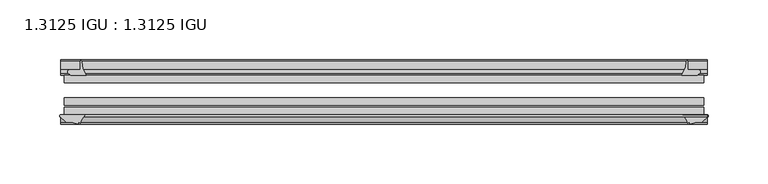
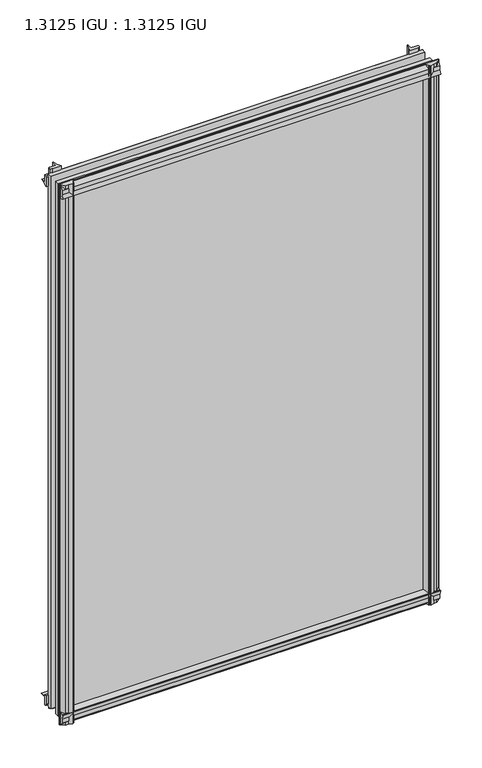
"""IFC4 building model written with IfcOpenShell, lengths in millimetres: plate geometry, 1.3125 IGU : 1.3125 IGU."""

from ifc_helpers import new_model, si_unit, point, frame, frame_2d, origin, place, context, project, spatial, polyline, circle_curve, trimmed, segment, composite_curve, outline, extrude, source, transform, mapped, element, save


def plate_1_3125_igu_1_3125_igu_1f02b4d9(model_context):
    return source(origin(), model_context, "Body", "SweptSolid", [
        extrude(outline(composite_curve([segment(polyline([(-22.094825, 0.0), (-22.094825, -9.916835)]), True, "CONTINUOUS"), segment(trimmed(circle_curve(frame_2d((-23.669625, -9.916835)), 1.5748), [point((-22.094825, -9.916835))], [point((-24.8706146, -10.9354709))], False, "CARTESIAN"), True, "CONTINUOUS"), segment(polyline([(-24.8706146, -10.9354709), (-26.590625, -8.9075484), (-26.590625, 4.0446407)]), True, "CONTINUOUS"), segment(trimmed(circle_curve(frame_2d((-7.1839113, 38.4138813)), 39.4698015), [point((-26.590625, 4.0446407))], [point((-19.4504626, 0.8985917))], True, "CARTESIAN"), True, "CONTINUOUS"), segment(polyline([(-19.4504626, 0.8985917), (-13.3986538, 0.0), (-22.094825, 0.0)]), True, "CONTINUOUS")], self_intersect=False)), frame((-271.0684763, 0.0, 0.0), z_axis=(1.0, 0.0, 0.0), x_axis=(0.0, 1.0, 0.0)), (0.0, 0.0, 1.0), 542.1369525),
        extrude(outline(composite_curve([segment(trimmed(circle_curve(frame_2d((-67.8737919, 9.6311377)), 10.5748618), [point((-66.062225, -0.7874))], [point((-59.712225, 2.9068141))], True, "CARTESIAN"), True, "CONTINUOUS"), segment(polyline([(-59.712225, 2.9068141), (-59.712225, -18.0442511)]), True, "CONTINUOUS"), segment(trimmed(circle_curve(frame_2d((-60.728225, -18.0442511)), 1.016), [point((-59.712225, -18.0442511))], [point((-61.4950672, -18.7107412))], False, "CARTESIAN"), True, "CONTINUOUS"), segment(polyline([(-61.4950672, -18.7107412), (-66.062225, -13.4559149), (-66.062225, -7.4520336), (-67.637025, -1.5748), (-66.062225, -1.5748), (-66.062225, -0.7874)]), True, "CONTINUOUS")], self_intersect=False)), frame((-271.0684763, 0.0, 0.0), z_axis=(1.0, 0.0, 0.0), x_axis=(0.0, 1.0, 0.0)), (0.0, 0.0, 1.0), 542.1369525),
        extrude(outline(composite_curve([segment(polyline([(-66.062225, 794.4598774), (-61.4950672, 799.7147037)]), True, "CONTINUOUS"), segment(trimmed(circle_curve(frame_2d((-60.728225, 799.0482136)), 1.016), [point((-61.4950672, 799.7147037))], [point((-59.712225, 799.0482136))], False, "CARTESIAN"), True, "CONTINUOUS"), segment(polyline([(-59.712225, 799.0482136), (-59.712225, 778.5230921)]), True, "CONTINUOUS"), segment(trimmed(circle_curve(frame_2d((-66.4211348, 772.8932283)), 8.7581298), [point((-59.712225, 778.5230921))], [point((-66.062225, 781.6440009))], True, "CARTESIAN"), True, "CONTINUOUS"), segment(polyline([(-66.062225, 781.6440009), (-66.062225, 782.5787625), (-67.637025, 782.5787625), (-66.062225, 788.4559961), (-66.062225, 794.4598774)]), True, "CONTINUOUS")], self_intersect=False)), frame((-271.0684763, 0.0, 0.0), z_axis=(1.0, 0.0, 0.0), x_axis=(0.0, 1.0, 0.0)), (0.0, 0.0, 1.0), 542.1369525),
        extrude(outline(composite_curve([segment(polyline([(-26.590625, 776.9593218), (-26.590625, 789.9115109), (-24.8706146, 791.9394334)]), True, "CONTINUOUS"), segment(trimmed(circle_curve(frame_2d((-23.669625, 790.9207975)), 1.5748), [point((-24.8706146, 791.9394334))], [point((-22.094825, 790.9207975))], False, "CARTESIAN"), True, "CONTINUOUS"), segment(polyline([(-22.094825, 790.9207975), (-22.094825, 781.05), (-14.5883882, 781.05), (-18.3240316, 780.2633459)]), True, "CONTINUOUS"), segment(trimmed(circle_curve(frame_2d((-16.4585419, 767.634903)), 12.7654855), [point((-18.3240316, 780.2633459))], [point((-20.5939581, 779.7119869))], True, "CARTESIAN"), True, "CONTINUOUS"), segment(trimmed(circle_curve(frame_2d((-7.1839113, 742.5900812)), 39.4698015), [point((-20.5939581, 779.7119869))], [point((-26.590625, 776.9593218))], True, "CARTESIAN"), True, "CONTINUOUS")], self_intersect=False)), frame((-271.0684763, 0.0, 0.0), z_axis=(1.0, 0.0, 0.0), x_axis=(0.0, 1.0, 0.0)), (0.0, 0.0, 1.0), 542.1369525),
        extrude(outline(composite_curve([segment(polyline([(262.9075484, -26.590625), (249.9553593, -26.590625)]), True, "CONTINUOUS"), segment(trimmed(circle_curve(frame_2d((215.5861187, -7.1839113)), 39.4698015), [point((249.9553593, -26.590625))], [point((253.1014083, -19.4504626))], True, "CARTESIAN"), True, "CONTINUOUS"), segment(polyline([(253.1014083, -19.4504626), (253.7472834, -15.1006424)]), True, "CONTINUOUS"), segment(trimmed(circle_curve(frame_2d((254.5267687, -15.2120036)), 0.7874), [point((253.7472834, -15.1006424))], [point((254.79375, -14.4712474))], False, "CARTESIAN"), True, "CONTINUOUS"), segment(polyline([(254.79375, -14.4712474), (254.79375, -22.094825), (263.916835, -22.094825)]), True, "CONTINUOUS"), segment(trimmed(circle_curve(frame_2d((263.916835, -23.669625)), 1.5748), [point((263.916835, -22.094825))], [point((264.9354709, -24.8706146))], False, "CARTESIAN"), True, "CONTINUOUS"), segment(polyline([(264.9354709, -24.8706146), (262.9075484, -26.590625)]), True, "CONTINUOUS")], self_intersect=False)), frame((0.0, 0.0, -18.2728511), z_axis=(0.0, 0.0, 1.0), x_axis=(1.0, 0.0, 0.0)), (0.0, 0.0, 1.0), 818.6352548),
        extrude(outline(composite_curve([segment(polyline([(250.6489748, -59.712225), (271.2094015, -59.712225)]), True, "CONTINUOUS"), segment(trimmed(circle_curve(frame_2d((271.2094015, -60.728225)), 1.016), [point((271.2094015, -59.712225))], [point((271.8758916, -61.4950672))], False, "CARTESIAN"), True, "CONTINUOUS"), segment(polyline([(271.8758916, -61.4950672), (266.6210653, -66.062225), (262.6458336, -66.062225), (256.7686, -67.637025), (256.7686, -66.062225), (255.6782443, -66.062225)]), True, "CONTINUOUS"), segment(trimmed(circle_curve(frame_2d((255.6782443, -66.849625)), 0.7874), [point((255.6782443, -66.062225))], [point((254.9005385, -66.7264485))], True, "CARTESIAN"), True, "CONTINUOUS"), segment(trimmed(circle_curve(frame_2d((241.8352219, -69.8501675)), 13.4335445), [point((254.9005385, -66.7264485))], [point((250.6489748, -59.712225))], True, "CARTESIAN"), True, "CONTINUOUS")], self_intersect=False)), frame((0.0, 0.0, -18.2728511), z_axis=(0.0, 0.0, 1.0), x_axis=(1.0, 0.0, 0.0)), (0.0, 0.0, 1.0), 818.6352548),
        extrude(outline(composite_curve([segment(polyline([(-253.7472834, -15.1006424), (-253.2728683, -18.2957187)]), True, "CONTINUOUS"), segment(trimmed(circle_curve(frame_2d((-240.7105951, -16.4304327)), 12.7), [point((-253.2728683, -18.2957187))], [point((-252.7241235, -20.5493081))], True, "CARTESIAN"), True, "CONTINUOUS"), segment(trimmed(circle_curve(frame_2d((-215.5861187, -7.1839113)), 39.4698015), [point((-252.7241235, -20.5493081))], [point((-249.9553593, -26.590625))], True, "CARTESIAN"), True, "CONTINUOUS"), segment(polyline([(-249.9553593, -26.590625), (-262.9075484, -26.590625), (-264.9354709, -24.8706146)]), True, "CONTINUOUS"), segment(trimmed(circle_curve(frame_2d((-263.916835, -23.669625)), 1.5748), [point((-264.9354709, -24.8706146))], [point((-263.916835, -22.094825))], False, "CARTESIAN"), True, "CONTINUOUS"), segment(polyline([(-263.916835, -22.094825), (-254.762, -22.094825), (-254.762, -14.4605617)]), True, "CONTINUOUS"), segment(trimmed(circle_curve(frame_2d((-254.5267687, -15.2120036)), 0.7874), [point((-254.762, -14.4605617))], [point((-253.7472834, -15.1006424))], False, "CARTESIAN"), True, "CONTINUOUS")], self_intersect=False)), frame((0.0, 0.0, -18.2728511), z_axis=(0.0, 0.0, 1.0), x_axis=(1.0, 0.0, 0.0)), (0.0, 0.0, 1.0), 818.9847648),
        extrude(outline(composite_curve([segment(trimmed(circle_curve(frame_2d((-241.8352219, -69.8501675)), 13.4335445), [point((-250.6489748, -59.712225))], [point((-254.9005385, -66.7264485))], True, "CARTESIAN"), True, "CONTINUOUS"), segment(trimmed(circle_curve(frame_2d((-255.6782443, -66.849625)), 0.7874), [point((-254.9005385, -66.7264485))], [point((-255.6782443, -66.062225))], True, "CARTESIAN"), True, "CONTINUOUS"), segment(polyline([(-255.6782443, -66.062225), (-256.7686, -66.062225), (-256.7686, -67.637025), (-262.6458336, -66.062225), (-266.6210653, -66.062225), (-271.8758916, -61.4950672)]), True, "CONTINUOUS"), segment(trimmed(circle_curve(frame_2d((-271.2094015, -60.728225)), 1.016), [point((-271.8758916, -61.4950672))], [point((-271.2094015, -59.712225))], False, "CARTESIAN"), True, "CONTINUOUS"), segment(polyline([(-271.2094015, -59.712225), (-250.6489748, -59.712225)]), True, "CONTINUOUS")], self_intersect=False)), frame((0.0, 0.0, -18.2728511), z_axis=(0.0, 0.0, 1.0), x_axis=(1.0, 0.0, 0.0)), (0.0, 0.0, 1.0), 818.9847648),
        extrude(outline(polyline([(-268.2875, -26.590625), (268.2875, -26.590625), (268.2875, -32.889825), (-268.2875, -32.889825), (-268.2875, -26.590625)])), frame((0.0, 0.0, -12.8524), z_axis=(0.0, 0.0, 1.0), x_axis=(1.0, 0.0, 0.0)), (0.0, 0.0, 1.0), 808.1438625),
        extrude(outline(polyline([(268.2875, -45.589825), (268.2875, -51.889025), (-268.2875, -51.889025), (-268.2875, -45.589825), (268.2875, -45.589825)])), frame((0.0, 0.0, -12.8524), z_axis=(0.0, 0.0, 1.0), x_axis=(1.0, 0.0, 0.0)), (0.0, 0.0, 1.0), 808.1438625),
        extrude(outline(polyline([(268.2875, -53.413025), (268.2875, -59.712225), (-268.2875, -59.712225), (-268.2875, -53.413025), (268.2875, -53.413025)])), frame((0.0, 0.0, -12.8524), z_axis=(0.0, 0.0, 1.0), x_axis=(1.0, 0.0, 0.0)), (0.0, 0.0, 1.0), 808.1438625),
    ])


if __name__ == "__main__":
    model = new_model("IFC4")
    model_context = context("Model", 3, world=origin())
    ifc_project = project(units=[si_unit("LENGTHUNIT", "METRE", prefix="MILLI")], contexts=[model_context])
    site = spatial("IfcSite", under=ifc_project)
    building = spatial("IfcBuilding", under=site)
    placement = place(None, origin())
    plate_1_3125_igu_1_3125_igu_shape = plate_1_3125_igu_1_3125_igu_1f02b4d9(model_context)
    element("IfcPlate", 1, ObjectType="1.3125 IGU : 1.3125 IGU", at=placement, inside=building, context=model_context, shape_type="MappedRepresentation", body=[
        mapped(plate_1_3125_igu_1_3125_igu_shape, transform((0.0, 0.0, 0.0), x_axis=(1.0, 0.0, 0.0), y_axis=(0.0, 1.0, 0.0), z_axis=(0.0, 0.0, 1.0))),
    ])
    save(model, "model.ifc")
